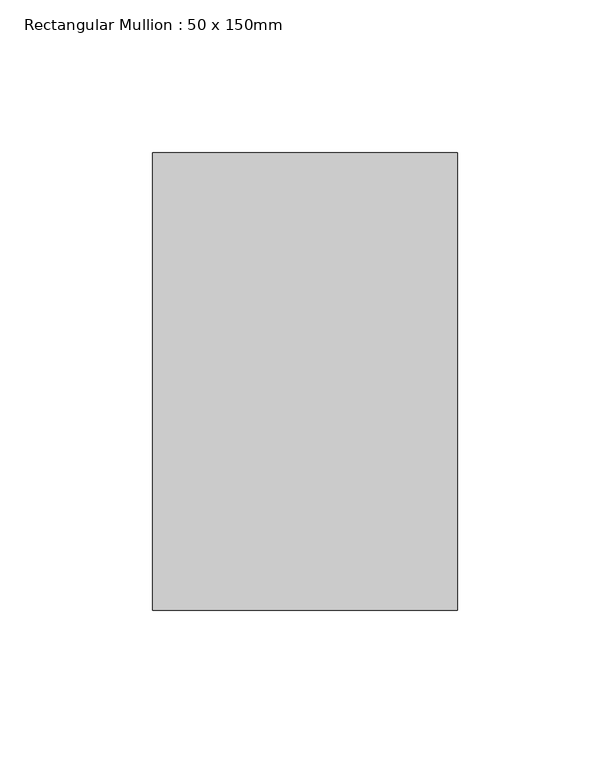
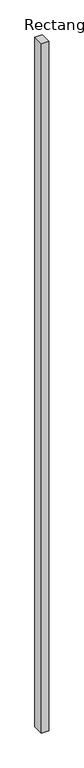
"""IFC4 building model written with IfcOpenShell, lengths in millimetres: member geometry, Rectangular Mullion : 50 x 150mm."""

from ifc_helpers import new_model, si_unit, frame, origin, place, context, project, spatial, polyline, outline, extrude, source, transform, mapped, element, save


def rectangular_mullion_50_x_150mm_e07989e7(model_context):
    return source(origin(), model_context, "Body", "SweptSolid", [
        extrude(outline(polyline([(0.0, 75.0), (0.0, -75.0), (-100.0, -75.0), (-100.0, 75.0), (0.0, 75.0)])), frame((0.0, 0.0, -9916.3354495), z_axis=(0.0, 0.0, 1.0), x_axis=(1.0, 0.0, 0.0)), (0.0, 0.0, 1.0), 9916.3354495),
    ])


if __name__ == "__main__":
    model = new_model("IFC4")
    model_context = context("Model", 3, world=origin())
    ifc_project = project(units=[si_unit("LENGTHUNIT", "METRE", prefix="MILLI")], contexts=[model_context])
    site = spatial("IfcSite", under=ifc_project)
    building = spatial("IfcBuilding", under=site)
    placement = place(None, origin())
    rectangular_mullion_50_x_150mm_shape = rectangular_mullion_50_x_150mm_e07989e7(model_context)
    element("IfcMember", 1, ObjectType="Rectangular Mullion : 50 x 150mm", at=placement, inside=building, context=model_context, shape_type="MappedRepresentation", body=[
        mapped(rectangular_mullion_50_x_150mm_shape, transform((0.0, 0.0, 0.0), x_axis=(1.0, 0.0, 0.0), y_axis=(0.0, 1.0, 0.0), z_axis=(0.0, 0.0, 1.0))),
    ])
    save(model, "model.ifc")
